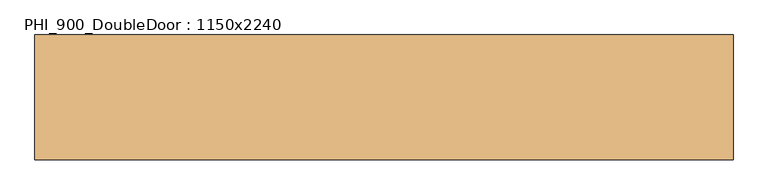
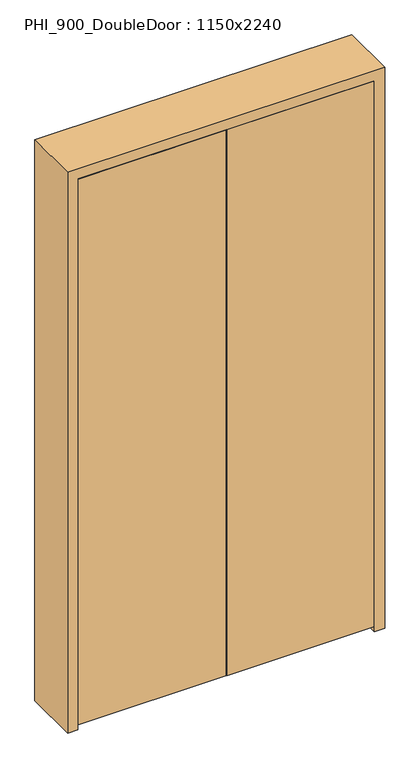
"""IFC4 building model written with IfcOpenShell, lengths in millimetres: door geometry, PHI_900_DoubleDoor : 1150x2240."""

from ifc_helpers import new_model, si_unit, frame, origin, place, context, project, spatial, polyline, outline, extrude, source, transform, mapped, element, save


def phi_900_doubledoor_1150x2240_738b4d04(model_context):
    return source(origin(), model_context, "Body", "SweptSolid", [
        extrude(outline(polyline([(2.0, -110.0), (2.0, -60.0), (573.0, -60.0), (573.0, -110.0), (2.0, -110.0)])), frame((0.0, 0.0, 20.0), z_axis=(0.0, 0.0, 1.0), x_axis=(1.0, 0.0, 0.0)), (0.0, 0.0, 1.0), 2238.0),
        extrude(outline(polyline([(-2.0, -110.0), (-573.0, -110.0), (-573.0, -60.0), (-2.0, -60.0), (-2.0, -110.0)])), frame((0.0, 0.0, 20.0), z_axis=(0.0, 0.0, 1.0), x_axis=(1.0, 0.0, 0.0)), (0.0, 0.0, 1.0), 2238.0),
        extrude(outline(polyline([(2300.0, -615.0), (0.0, -615.0), (0.0, -575.0), (2260.0, -575.0), (2260.0, 575.0), (0.0, 575.0), (0.0, 615.0), (2300.0, 615.0), (2300.0, -615.0)])), frame((0.0, -110.0, 0.0), z_axis=(0.0, 1.0, 0.0), x_axis=(0.0, 0.0, 1.0)), (0.0, 0.0, 1.0), 220.0),
        extrude(outline(polyline([(2260.0, -575.0), (0.0, -575.0), (0.0, -555.0), (2240.0, -555.0), (2240.0, 555.0), (0.0, 555.0), (0.0, 575.0), (2260.0, 575.0), (2260.0, -575.0)])), frame((0.0, -60.0, 0.0), z_axis=(0.0, 1.0, 0.0), x_axis=(0.0, 0.0, 1.0)), (0.0, 0.0, 1.0), 60.0),
    ])


if __name__ == "__main__":
    model = new_model("IFC4")
    model_context = context("Model", 3, world=origin())
    ifc_project = project(units=[si_unit("LENGTHUNIT", "METRE", prefix="MILLI")], contexts=[model_context])
    site = spatial("IfcSite", under=ifc_project)
    building = spatial("IfcBuilding", under=site)
    placement = place(None, origin())
    phi_900_doubledoor_1150x2240_shape = phi_900_doubledoor_1150x2240_738b4d04(model_context)
    element("IfcDoor", 1, ObjectType="PHI_900_DoubleDoor : 1150x2240", at=placement, inside=building, context=model_context, shape_type="MappedRepresentation", body=[
        mapped(phi_900_doubledoor_1150x2240_shape, transform((0.0, 0.0, 0.0), x_axis=(1.0, 0.0, 0.0), y_axis=(0.0, 1.0, 0.0), z_axis=(0.0, 0.0, 1.0))),
    ])
    save(model, "model.ifc")
